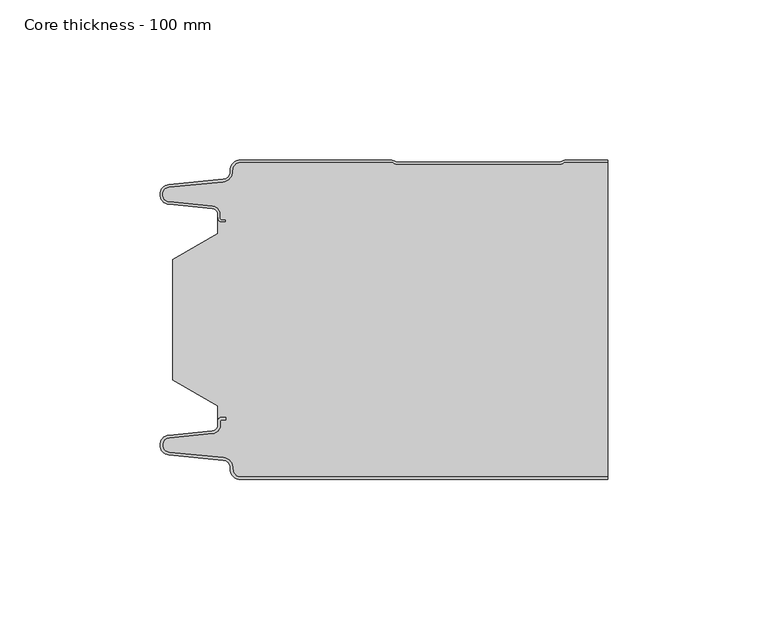
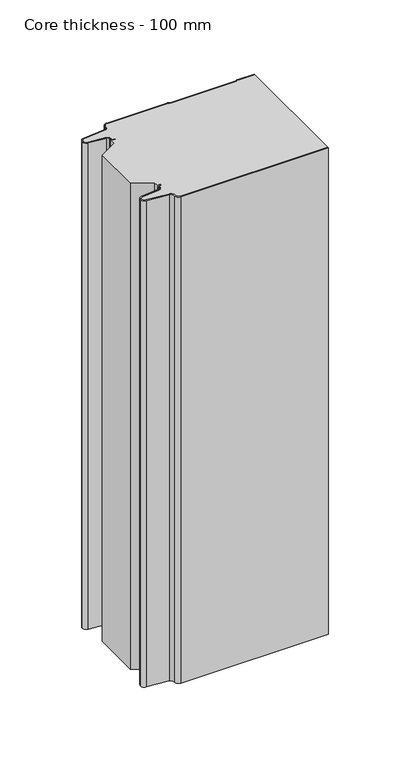
"""IFC4 building model written with IfcOpenShell, lengths in millimetres: plate geometry, Core thickness - 100 mm."""

from ifc_helpers import new_model, si_unit, frame, origin, place, context, project, spatial, polyline, circle_curve, source, transform, mapped, element, save
from ifc_brep_helpers import plane_surface, cylinder_surface, revolved_surface, advanced_brep


def core_thickness_100_mm_233e83f8(model_context):
    return source(origin(), model_context, "Body", "AdvancedBrep", [
        advanced_brep(
        [(-44.8000003, -99.9996949, 0.0), (-47.9923632, -96.5787437, 0.0), (-50.2560431, -93.9171154, 0.0), (-67.2115315, -92.2546153, 0.0), (-69.9999998, -89.1776715, 0.0), (-67.2115315, -86.1007278, 0.0), (-53.6195785, -84.7680252, 0.0), (-51.9952277, -82.9766159, 0.0), (-51.9952277, -81.8996949, 0.0), (-50.5952277, -80.4996949, 0.0), (-49.4952277, -80.4996949, 0.0), (-49.4952277, -81.2996949, 0.0), (-50.5952277, -81.2996949, 0.0), (-51.1952277, -81.8996949, 0.0), (-51.1952277, -82.9766159, 0.0), (-53.5415122, -85.5642071, 0.0), (-67.1334652, -86.8969097, 0.0), (-69.1999997, -89.1776715, 0.0), (-67.1334652, -91.4584333, 0.0), (-50.1779767, -93.1209335, 0.0), (-47.2078761, -96.6330399, 0.0), (-44.8000003, -99.1996949, 0.0), (69.9999998, -99.2, 0.0), (69.9999998, -99.9996949, 0.0), (-44.8000003, -99.1996949, 400.0), (-47.1942724, -96.6339815, 400.0), (-50.1779767, -93.1209335, 400.0), (-67.1334652, -91.4584333, 400.0), (-69.1999997, -89.1776715, 400.0), (-67.1334652, -86.8969097, 400.0), (-53.5415122, -85.5642071, 400.0), (-51.1952277, -82.9766159, 400.0), (-51.1952277, -81.8996949, 400.0), (-50.5952277, -81.2996949, 400.0), (-49.4952277, -81.2996949, 400.0), (-49.4952277, -80.4996949, 400.0), (-50.5952277, -80.4996949, 400.0), (-51.9952277, -81.8996949, 400.0), (-51.9952277, -82.9766159, 400.0), (-53.6195785, -84.7680252, 400.0), (-67.2115315, -86.1007278, 400.0), (-69.9999998, -89.1776715, 400.0), (-67.2115315, -92.2546153, 400.0), (-50.2560431, -93.9171154, 400.0), (-48.0059668, -96.5778021, 400.0), (-44.8000003, -99.9996949, 400.0), (69.9999998, -99.9996949, 400.0), (69.9999998, -99.2, 400.0)],
        [
            (0, 1, circle_curve(frame((-44.8000003, -96.7996949, 0.0), z_axis=(0.0, 0.0, -1.0), x_axis=(1.0, 0.0, 0.0)), 3.2)),
            (1, 2, circle_curve(frame((-50.5000003, -96.4051839, 0.0), z_axis=(0.0, 0.0, 1.0), x_axis=(1.0, 0.0, 0.0)), 2.5)),
            (2, 3),
            (3, 4, circle_curve(frame((-66.9100003, -89.1793626, 0.0), z_axis=(0.0, 0.0, -1.0), x_axis=(1.0, 0.0, 0.0)), 3.09)),
            (4, 5, circle_curve(frame((-66.9100003, -89.1759805, 0.0), z_axis=(0.0, 0.0, -1.0), x_axis=(1.0, 0.0, 0.0)), 3.09)),
            (5, 6),
            (6, 7, circle_curve(frame((-53.7952277, -82.9766159, 0.0), z_axis=(0.0, 0.0, 1.0), x_axis=(1.0, 0.0, 0.0)), 1.8)),
            (7, 8),
            (8, 9, circle_curve(frame((-50.5952277, -81.8996949, 0.0), z_axis=(0.0, 0.0, -1.0), x_axis=(1.0, 0.0, 0.0)), 1.4)),
            (9, 10),
            (10, 11),
            (11, 12),
            (12, 13, circle_curve(frame((-50.5952277, -81.8996949, 0.0), z_axis=(0.0, 0.0, 1.0), x_axis=(1.0, 0.0, 0.0)), 0.6)),
            (13, 14),
            (14, 15, circle_curve(frame((-53.7952277, -82.9766159, 0.0), z_axis=(0.0, 0.0, -1.0), x_axis=(1.0, 0.0, 0.0)), 2.6)),
            (15, 16),
            (16, 17, circle_curve(frame((-66.9100003, -89.1759805, 0.0), z_axis=(0.0, 0.0, 1.0), x_axis=(1.0, 0.0, 0.0)), 2.29)),
            (17, 18, circle_curve(frame((-66.9100003, -89.1793626, 0.0), z_axis=(0.0, 0.0, 1.0), x_axis=(1.0, 0.0, 0.0)), 2.29)),
            (18, 19),
            (19, 20, circle_curve(frame((-50.5000003, -96.4051839, 0.0), z_axis=(0.0, 0.0, -1.0), x_axis=(1.0, 0.0, 0.0)), 3.3)),
            (20, 21, circle_curve(frame((-44.8000003, -96.7996949, 0.0), z_axis=(0.0, 0.0, 1.0), x_axis=(1.0, 0.0, 0.0)), 2.4)),
            (21, 22),
            (22, 23),
            (23, 0),
            (24, 25, circle_curve(frame((-44.8000003, -96.7996949, 400.0), z_axis=(0.0, 0.0, -1.0), x_axis=(1.0, 0.0, 0.0)), 2.4)),
            (25, 26, circle_curve(frame((-50.5000003, -96.4051839, 400.0), z_axis=(0.0, 0.0, 1.0), x_axis=(1.0, 0.0, 0.0)), 3.3)),
            (26, 27),
            (27, 28, circle_curve(frame((-66.9100003, -89.1793626, 400.0), z_axis=(0.0, 0.0, -1.0), x_axis=(1.0, 0.0, 0.0)), 2.29)),
            (28, 29, circle_curve(frame((-66.9100003, -89.1759805, 400.0), z_axis=(0.0, 0.0, -1.0), x_axis=(1.0, 0.0, 0.0)), 2.29)),
            (29, 30),
            (30, 31, circle_curve(frame((-53.7952277, -82.9766159, 400.0), z_axis=(0.0, 0.0, 1.0), x_axis=(1.0, 0.0, 0.0)), 2.6)),
            (31, 32),
            (32, 33, circle_curve(frame((-50.5952277, -81.8996949, 400.0), z_axis=(0.0, 0.0, -1.0), x_axis=(1.0, 0.0, 0.0)), 0.6)),
            (33, 34),
            (34, 35),
            (35, 36),
            (36, 37, circle_curve(frame((-50.5952277, -81.8996949, 400.0), z_axis=(0.0, 0.0, 1.0), x_axis=(1.0, 0.0, 0.0)), 1.4)),
            (37, 38),
            (38, 39, circle_curve(frame((-53.7952277, -82.9766159, 400.0), z_axis=(0.0, 0.0, -1.0), x_axis=(1.0, 0.0, 0.0)), 1.8)),
            (39, 40),
            (40, 41, circle_curve(frame((-66.9100003, -89.1759805, 400.0), z_axis=(0.0, 0.0, 1.0), x_axis=(1.0, 0.0, 0.0)), 3.09)),
            (41, 42, circle_curve(frame((-66.9100003, -89.1793626, 400.0), z_axis=(0.0, 0.0, 1.0), x_axis=(1.0, 0.0, 0.0)), 3.09)),
            (42, 43),
            (43, 44, circle_curve(frame((-50.5000003, -96.4051839, 400.0), z_axis=(0.0, 0.0, -1.0), x_axis=(1.0, 0.0, 0.0)), 2.5)),
            (44, 45, circle_curve(frame((-44.8000003, -96.7996949, 400.0), z_axis=(0.0, 0.0, 1.0), x_axis=(1.0, 0.0, 0.0)), 3.2)),
            (45, 46),
            (46, 47),
            (47, 24),
            (21, 24),
            (47, 22),
            (20, 25),
            (19, 26),
            (18, 27),
            (17, 28),
            (16, 29),
            (15, 30),
            (14, 31),
            (13, 32),
            (12, 33),
            (11, 34),
            (10, 35),
            (9, 36),
            (8, 37),
            (7, 38),
            (6, 39),
            (5, 40),
            (4, 41),
            (3, 42),
            (2, 43),
            (1, 44),
            (0, 45),
            (23, 46),
        ],
        [
            plane_surface(frame((-69.9999998, -100.0, 0.0), z_axis=(0.0, 0.0, -1.0), x_axis=(0.0, 1.0, 0.0))),
            plane_surface(frame((-69.9999998, -100.0, 400.0), z_axis=(0.0, 0.0, 1.0), x_axis=(0.0, 1.0, 0.0))),
            plane_surface(frame((-44.8000003, -99.2, 0.0), z_axis=(0.0, 1.0, 0.0), x_axis=(0.0, 0.0, 1.0))),
            revolved_surface(polyline([(-42.4000003, -96.7996949, 400.0), (-42.4000003, -96.7996949, 0.0)]), (-44.8000003, -96.7996949, 0.0), (0.0, 0.0, 1.0)),
            cylinder_surface(frame((-50.5000003, -96.4051839, 0.0), z_axis=(0.0, 0.0, -1.0), x_axis=(1.0, 0.0, 0.0)), 3.3),
            plane_surface(frame((-67.1334652, -91.4584333, 0.0), z_axis=(0.09758289975914758, 0.9952273999818314, 0.0), x_axis=(0.0, 0.0, 1.0))),
            revolved_surface(polyline([(-64.62000029999999, -89.1793626, 400.0), (-64.62000029999999, -89.1793626, 0.0)]), (-66.9100003, -89.1793626, 0.0), (0.0, 0.0, 1.0)),
            revolved_surface(polyline([(-64.62000029999999, -89.1759805, 400.0), (-64.62000029999999, -89.1759805, 0.0)]), (-66.9100003, -89.1759805, 0.0), (0.0, 0.0, 1.0)),
            plane_surface(frame((-53.5415122, -85.5642071, 0.0), z_axis=(0.09758289975914383, -0.9952273999818317, 0.0), x_axis=(0.0, 0.0, 1.0))),
            cylinder_surface(frame((-53.7952277, -82.9766159, 0.0), z_axis=(0.0, 0.0, -1.0), x_axis=(1.0, 0.0, 0.0)), 2.6),
            plane_surface(frame((-51.1952277, -81.8996949, 0.0), z_axis=(1.0, 0.0, 0.0), x_axis=(0.0, 0.0, 1.0))),
            revolved_surface(polyline([(-49.9952277, -81.8996949, 400.0), (-49.9952277, -81.8996949, 0.0)]), (-50.5952277, -81.8996949, 0.0), (0.0, 0.0, 1.0)),
            plane_surface(frame((-49.4952277, -81.2996949, 0.0), z_axis=(0.0, -1.0, 0.0), x_axis=(0.0, 0.0, 1.0))),
            plane_surface(frame((-49.4952277, -80.4996949, 0.0), z_axis=(1.0, 0.0, 0.0), x_axis=(0.0, 0.0, 1.0))),
            plane_surface(frame((-50.5952277, -80.4996949, 0.0), z_axis=(0.0, 1.0, 0.0), x_axis=(0.0, 0.0, 1.0))),
            cylinder_surface(frame((-50.5952277, -81.8996949, 0.0), z_axis=(0.0, 0.0, -1.0), x_axis=(1.0, 0.0, 0.0)), 1.4),
            plane_surface(frame((-51.9952277, -82.9766159, 0.0), z_axis=(-1.0, 0.0, 0.0), x_axis=(0.0, 0.0, 1.0))),
            revolved_surface(polyline([(-51.9952277, -82.9766159, 400.0), (-51.9952277, -82.9766159, 0.0)]), (-53.7952277, -82.9766159, 0.0), (0.0, 0.0, 1.0)),
            plane_surface(frame((-67.2115315, -86.1007278, 0.0), z_axis=(-0.09758289975914387, 0.9952273999818317, 0.0), x_axis=(0.0, 0.0, 1.0))),
            cylinder_surface(frame((-66.9100003, -89.1759805, 0.0), z_axis=(0.0, 0.0, -1.0), x_axis=(1.0, 0.0, 0.0)), 3.09),
            cylinder_surface(frame((-66.9100003, -89.1793626, 0.0), z_axis=(0.0, 0.0, -1.0), x_axis=(1.0, 0.0, 0.0)), 3.09),
            plane_surface(frame((-50.2560431, -93.9171154, 0.0), z_axis=(-0.09758289975914762, -0.9952273999818314, 0.0), x_axis=(0.0, 0.0, 1.0))),
            revolved_surface(polyline([(-48.0000003, -96.4051839, 400.0), (-48.0000003, -96.4051839, 0.0)]), (-50.5000003, -96.4051839, 0.0), (0.0, 0.0, 1.0)),
            cylinder_surface(frame((-44.8000003, -96.7996949, 0.0), z_axis=(0.0, 0.0, -1.0), x_axis=(1.0, 0.0, 0.0)), 3.2),
            plane_surface(frame((1046.009932, -99.9996949, 0.0), z_axis=(0.0, -1.0, 0.0), x_axis=(0.0, 0.0, 1.0))),
            plane_surface(frame((69.9999998, 180.0, 400.0), z_axis=(1.0, 0.0, 0.0), x_axis=(0.0, 0.0, -1.0))),
        ],
        [
            (0, [[1, 2, 3, 4, 5, 6, 7, 8, 9, 10, 11, 12, 13, 14, 15, 16, 17, 18, 19, 20, 21, 22, 23, 24]]),
            (1, [[25, 26, 27, 28, 29, 30, 31, 32, 33, 34, 35, 36, 37, 38, 39, 40, 41, 42, 43, 44, 45, 46, 47, 48]]),
            (2, [[49, -48, 50, -22]]),
            (3, [[-21, 51, -25, -49]]),
            (4, [[-20, 52, -26, -51]]),
            (5, [[-19, 53, -27, -52]]),
            (6, [[-18, 54, -28, -53]]),
            (7, [[-17, 55, -29, -54]]),
            (8, [[-16, 56, -30, -55]]),
            (9, [[-15, 57, -31, -56]]),
            (10, [[-14, 58, -32, -57]]),
            (11, [[-13, 59, -33, -58]]),
            (12, [[-12, 60, -34, -59]]),
            (13, [[-11, 61, -35, -60]]),
            (14, [[-10, 62, -36, -61]]),
            (15, [[-9, 63, -37, -62]]),
            (16, [[-8, 64, -38, -63]]),
            (17, [[-7, 65, -39, -64]]),
            (18, [[-6, 66, -40, -65]]),
            (19, [[-5, 67, -41, -66]]),
            (20, [[-4, 68, -42, -67]]),
            (21, [[-3, 69, -43, -68]]),
            (22, [[-2, 70, -44, -69]]),
            (23, [[-1, 71, -45, -70]]),
            (24, [[-71, -24, 72, -46]]),
            (25, [[-23, -50, -47, -72]]),
        ],
    ),
        advanced_brep(
        [(-51.9952277, -23.1062917, 400.0), (-66.0446509, -31.1628062, 400.0), (-66.0446509, -68.7531937, 400.0), (-51.9952277, -76.8937083, 400.0), (-51.9952277, -80.4996949, 400.0), (-51.9952277, -81.8996949, 400.0), (-50.5952277, -80.4996949, 400.0), (-49.4952277, -80.4996949, 400.0), (-49.4952277, -81.2996949, 400.0), (-50.5952277, -81.2996949, 400.0), (-51.1952277, -81.8996949, 400.0), (-51.1952277, -82.9766159, 400.0), (-53.5415122, -85.5642071, 400.0), (-67.1334652, -86.8969097, 400.0), (-69.1999997, -89.1776715, 400.0), (-67.1334652, -91.4584333, 400.0), (-50.1779767, -93.1209335, 400.0), (-47.2078761, -96.6330399, 400.0), (-44.8000003, -99.1996949, 400.0), (69.9999998, -99.2, 400.0), (69.9999998, -0.8, 400.0), (57.0487965, -0.8, 400.0), (55.9973806, -1.0986697, 400.0), (54.5769997, -1.5003051, 400.0), (4.4172165, -1.5003051, 400.0), (2.9978051, -1.0971009, 400.0), (1.9454197, -0.8, 400.0), (-44.8000003, -0.8, 400.0), (-47.1942724, -3.3660185, 400.0), (-50.1779767, -6.8790665, 400.0), (-67.1334652, -8.5415667, 400.0), (-69.1999997, -10.8223285, 400.0), (-67.1334652, -13.1030903, 400.0), (-53.5415122, -14.4357929, 400.0), (-51.1952277, -17.0233841, 400.0), (-51.1952277, -18.1003051, 400.0), (-50.5952277, -18.7003051, 400.0), (-49.4952277, -18.7003051, 400.0), (-49.4952277, -19.5003051, 400.0), (-50.5952277, -19.5003051, 400.0), (-51.9952277, -18.1003051, 400.0), (-51.9952277, -19.5003051, 400.0), (-51.9952277, -76.8937083, 0.0), (-66.0446509, -68.7531937, 0.0), (-66.0446509, -31.1628062, 0.0), (-51.9952277, -23.1062917, 0.0), (-51.9952277, -19.5003051, 0.0), (-51.9952277, -18.1003051, 0.0), (-50.5952277, -19.5003051, 0.0), (-49.4952277, -19.5003051, 0.0), (-49.4952277, -18.7003051, 0.0), (-50.5952277, -18.7003051, 0.0), (-51.1952277, -18.1003051, 0.0), (-51.1952277, -17.0233841, 0.0), (-53.5415122, -14.4357929, 0.0), (-67.1334652, -13.1030903, 0.0), (-69.1999997, -10.8223285, 0.0), (-67.1334652, -8.5415667, 0.0), (-50.1779767, -6.8790665, 0.0), (-47.2078761, -3.3669601, 0.0), (-44.8000003, -0.8003051, 0.0), (1.9454197, -0.8, 0.0), (2.9968355, -1.0986697, 0.0), (4.4172165, -1.5003051, 0.0), (54.5769997, -1.5003051, 0.0), (55.9964111, -1.0971009, 0.0), (57.0487965, -0.8, 0.0), (69.9999998, -0.8, 0.0), (69.9999998, -99.2, 0.0), (-44.8000003, -99.2, 0.0), (-47.1942724, -96.6339815, 0.0), (-50.1779767, -93.1209335, 0.0), (-67.1334652, -91.4584333, 0.0), (-69.1999997, -89.1776715, 0.0), (-67.1334652, -86.8969097, 0.0), (-53.5415122, -85.5642071, 0.0), (-51.1952277, -82.9766159, 0.0), (-51.1952277, -81.8996949, 0.0), (-50.5952277, -81.2996949, 0.0), (-49.4952277, -81.2996949, 0.0), (-49.4952277, -80.4996949, 0.0), (-50.5952277, -80.4996949, 0.0), (-51.9952277, -81.8996949, 0.0), (-51.9952277, -80.4996949, 0.0)],
        [
            (0, 1),
            (1, 2),
            (2, 3),
            (3, 4),
            (4, 5),
            (5, 6, circle_curve(frame((-50.5952277, -81.8996949, 400.0), z_axis=(0.0, 0.0, -1.0), x_axis=(1.0, 0.0, 0.0)), 1.4)),
            (6, 7),
            (7, 8),
            (8, 9),
            (9, 10, circle_curve(frame((-50.5952277, -81.8996949, 400.0), z_axis=(0.0, 0.0, 1.0), x_axis=(1.0, 0.0, 0.0)), 0.6)),
            (10, 11),
            (11, 12, circle_curve(frame((-53.7952277, -82.9766159, 400.0), z_axis=(0.0, 0.0, -1.0), x_axis=(1.0, 0.0, 0.0)), 2.6)),
            (12, 13),
            (13, 14, circle_curve(frame((-66.9100003, -89.1759805, 400.0), z_axis=(0.0, 0.0, 1.0), x_axis=(1.0, 0.0, 0.0)), 2.29)),
            (14, 15, circle_curve(frame((-66.9100003, -89.1793626, 400.0), z_axis=(0.0, 0.0, 1.0), x_axis=(1.0, 0.0, 0.0)), 2.29)),
            (15, 16),
            (16, 17, circle_curve(frame((-50.5000003, -96.4051839, 400.0), z_axis=(0.0, 0.0, -1.0), x_axis=(1.0, 0.0, 0.0)), 3.3)),
            (17, 18, circle_curve(frame((-44.8000003, -96.7996949, 400.0), z_axis=(0.0, 0.0, 1.0), x_axis=(1.0, 0.0, 0.0)), 2.4)),
            (18, 19),
            (19, 20),
            (20, 21),
            (21, 22, circle_curve(frame((57.0487965, -2.8, 400.0), z_axis=(0.0, 0.0, 1.0), x_axis=(1.0, 0.0, 0.0)), 2.0)),
            (22, 23, circle_curve(frame((54.5769997, 1.1996949, 400.0), z_axis=(0.0, 0.0, -1.0), x_axis=(1.0, 0.0, 0.0)), 2.7)),
            (23, 24),
            (24, 25, circle_curve(frame((4.4172165, 1.1996949, 400.0), z_axis=(0.0, 0.0, -1.0), x_axis=(1.0, 0.0, 0.0)), 2.7)),
            (25, 26, circle_curve(frame((1.9454197, -2.8, 400.0), z_axis=(0.0, 0.0, 1.0), x_axis=(1.0, 0.0, 0.0)), 2.0)),
            (26, 27),
            (27, 28, circle_curve(frame((-44.8000003, -3.2003051, 400.0), z_axis=(0.0, 0.0, 1.0), x_axis=(1.0, 0.0, 0.0)), 2.4)),
            (28, 29, circle_curve(frame((-50.5000003, -3.5948161, 400.0), z_axis=(0.0, 0.0, -1.0), x_axis=(1.0, 0.0, 0.0)), 3.3)),
            (29, 30),
            (30, 31, circle_curve(frame((-66.9100003, -10.8206374, 400.0), z_axis=(0.0, 0.0, 1.0), x_axis=(1.0, 0.0, 0.0)), 2.29)),
            (31, 32, circle_curve(frame((-66.9100003, -10.8240195, 400.0), z_axis=(0.0, 0.0, 1.0), x_axis=(1.0, 0.0, 0.0)), 2.29)),
            (32, 33),
            (33, 34, circle_curve(frame((-53.7952277, -17.0233841, 400.0), z_axis=(0.0, 0.0, -1.0), x_axis=(1.0, 0.0, 0.0)), 2.6)),
            (34, 35),
            (35, 36, circle_curve(frame((-50.5952277, -18.1003051, 400.0), z_axis=(0.0, 0.0, 1.0), x_axis=(1.0, 0.0, 0.0)), 0.6)),
            (36, 37),
            (37, 38),
            (38, 39),
            (39, 40, circle_curve(frame((-50.5952277, -18.1003051, 400.0), z_axis=(0.0, 0.0, -1.0), x_axis=(1.0, 0.0, 0.0)), 1.4)),
            (40, 41),
            (41, 0),
            (42, 43),
            (43, 44),
            (44, 45),
            (45, 46),
            (46, 47),
            (47, 48, circle_curve(frame((-50.5952277, -18.1003051, 0.0), z_axis=(0.0, 0.0, 1.0), x_axis=(1.0, 0.0, 0.0)), 1.4)),
            (48, 49),
            (49, 50),
            (50, 51),
            (51, 52, circle_curve(frame((-50.5952277, -18.1003051, 0.0), z_axis=(0.0, 0.0, -1.0), x_axis=(1.0, 0.0, 0.0)), 0.6)),
            (52, 53),
            (53, 54, circle_curve(frame((-53.7952277, -17.0233841, 0.0), z_axis=(0.0, 0.0, 1.0), x_axis=(1.0, 0.0, 0.0)), 2.6)),
            (54, 55),
            (55, 56, circle_curve(frame((-66.9100003, -10.8240195, 0.0), z_axis=(0.0, 0.0, -1.0), x_axis=(1.0, 0.0, 0.0)), 2.29)),
            (56, 57, circle_curve(frame((-66.9100003, -10.8206374, 0.0), z_axis=(0.0, 0.0, -1.0), x_axis=(1.0, 0.0, 0.0)), 2.29)),
            (57, 58),
            (58, 59, circle_curve(frame((-50.5000003, -3.5948161, 0.0), z_axis=(0.0, 0.0, 1.0), x_axis=(1.0, 0.0, 0.0)), 3.3)),
            (59, 60, circle_curve(frame((-44.8000003, -3.2003051, 0.0), z_axis=(0.0, 0.0, -1.0), x_axis=(1.0, 0.0, 0.0)), 2.4)),
            (60, 61),
            (61, 62, circle_curve(frame((1.9454197, -2.8, 0.0), z_axis=(0.0, 0.0, -1.0), x_axis=(1.0, 0.0, 0.0)), 2.0)),
            (62, 63, circle_curve(frame((4.4172165, 1.1996949, 0.0), z_axis=(0.0, 0.0, 1.0), x_axis=(1.0, 0.0, 0.0)), 2.7)),
            (63, 64),
            (64, 65, circle_curve(frame((54.5769997, 1.1996949, 0.0), z_axis=(0.0, 0.0, 1.0), x_axis=(1.0, 0.0, 0.0)), 2.7)),
            (65, 66, circle_curve(frame((57.0487965, -2.8, 0.0), z_axis=(0.0, 0.0, -1.0), x_axis=(1.0, 0.0, 0.0)), 2.0)),
            (66, 67),
            (67, 68),
            (68, 69),
            (69, 70, circle_curve(frame((-44.8000003, -96.7996949, 0.0), z_axis=(0.0, 0.0, -1.0), x_axis=(1.0, 0.0, 0.0)), 2.4)),
            (70, 71, circle_curve(frame((-50.5000003, -96.4051839, 0.0), z_axis=(0.0, 0.0, 1.0), x_axis=(1.0, 0.0, 0.0)), 3.3)),
            (71, 72),
            (72, 73, circle_curve(frame((-66.9100003, -89.1793626, 0.0), z_axis=(0.0, 0.0, -1.0), x_axis=(1.0, 0.0, 0.0)), 2.29)),
            (73, 74, circle_curve(frame((-66.9100003, -89.1759805, 0.0), z_axis=(0.0, 0.0, -1.0), x_axis=(1.0, 0.0, 0.0)), 2.29)),
            (74, 75),
            (75, 76, circle_curve(frame((-53.7952277, -82.9766159, 0.0), z_axis=(0.0, 0.0, 1.0), x_axis=(1.0, 0.0, 0.0)), 2.6)),
            (76, 77),
            (77, 78, circle_curve(frame((-50.5952277, -81.8996949, 0.0), z_axis=(0.0, 0.0, -1.0), x_axis=(1.0, 0.0, 0.0)), 0.6)),
            (78, 79),
            (79, 80),
            (80, 81),
            (81, 82, circle_curve(frame((-50.5952277, -81.8996949, 0.0), z_axis=(0.0, 0.0, 1.0), x_axis=(1.0, 0.0, 0.0)), 1.4)),
            (82, 83),
            (83, 42),
            (45, 0),
            (40, 47),
            (1, 44),
            (43, 2),
            (42, 3),
            (82, 5),
            (18, 69),
            (68, 19),
            (17, 70),
            (16, 71),
            (15, 72),
            (14, 73),
            (13, 74),
            (12, 75),
            (11, 76),
            (10, 77),
            (9, 78),
            (8, 79),
            (7, 80),
            (6, 81),
            (60, 27),
            (26, 61),
            (25, 62),
            (24, 63),
            (23, 64),
            (22, 65),
            (21, 66),
            (20, 67),
            (39, 48),
            (38, 49),
            (37, 50),
            (36, 51),
            (35, 52),
            (34, 53),
            (33, 54),
            (32, 55),
            (31, 56),
            (30, 57),
            (29, 58),
            (28, 59),
        ],
        [
            plane_surface(frame((-69.9999998, 0.0, 400.0), z_axis=(0.0, 0.0, 1.0), x_axis=(0.0, -1.0, 0.0))),
            plane_surface(frame((-69.9999998, 0.0, 0.0), z_axis=(0.0, 0.0, -1.0), x_axis=(0.0, -1.0, 0.0))),
            plane_surface(frame((-51.9952277, -17.0229218, 400.0), z_axis=(-1.0, 0.0, 0.0), x_axis=(0.0, 0.0, -1.0))),
            plane_surface(frame((-66.0446509, -31.1628062, 400.0), z_axis=(-1.0, 0.0, 0.0), x_axis=(0.0, 0.0, -1.0))),
            plane_surface(frame((-51.9952277, -23.1062917, 400.0), z_axis=(-0.4974543664933155, 0.8674901459133322, 0.0), x_axis=(0.0, 0.0, -1.0))),
            plane_surface(frame((-66.0446509, -68.7531937, 400.0), z_axis=(-0.5013424225369615, -0.8652489672717159, 0.0), x_axis=(0.0, 0.0, -1.0))),
            plane_surface(frame((-51.9952277, -76.8937083, 400.0), z_axis=(-1.0, 0.0, 0.0), x_axis=(0.0, 0.0, -1.0))),
            plane_surface(frame((1046.009932, -99.2, 530.0), z_axis=(0.0, -1.0, 0.0), x_axis=(0.0, 0.0, -1.0))),
            cylinder_surface(frame((-44.8000003, -96.7996949, 530.0), z_axis=(0.0, 0.0, -1.0), x_axis=(1.0, 0.0, 0.0)), 2.4),
            revolved_surface(polyline([(-47.200000300000006, -96.4051839, 400.0), (-47.200000300000006, -96.4051839, 0.0)]), (-50.5000003, -96.4051839, 530.0), (0.0, 0.0, 1.0)),
            plane_surface(frame((-50.1779767, -93.1209335, 530.0), z_axis=(-0.09758289975914758, -0.9952273999818314, 0.0), x_axis=(0.0, 0.0, -1.0))),
            cylinder_surface(frame((-66.9100003, -89.1793626, 530.0), z_axis=(0.0, 0.0, -1.0), x_axis=(1.0, 0.0, 0.0)), 2.29),
            cylinder_surface(frame((-66.9100003, -89.1759805, 530.0), z_axis=(0.0, 0.0, -1.0), x_axis=(1.0, 0.0, 0.0)), 2.29),
            plane_surface(frame((-67.1334652, -86.8969097, 530.0), z_axis=(-0.09758289975914383, 0.9952273999818317, 0.0), x_axis=(0.0, 0.0, -1.0))),
            revolved_surface(polyline([(-51.1952277, -82.9766159, 400.0), (-51.1952277, -82.9766159, 0.0)]), (-53.7952277, -82.9766159, 530.0), (0.0, 0.0, 1.0)),
            plane_surface(frame((-51.1952277, -82.9766159, 530.0), z_axis=(-1.0, 0.0, 0.0), x_axis=(0.0, 0.0, -1.0))),
            cylinder_surface(frame((-50.5952277, -81.8996949, 530.0), z_axis=(0.0, 0.0, -1.0), x_axis=(1.0, 0.0, 0.0)), 0.6),
            plane_surface(frame((-50.5952277, -81.2996949, 530.0), z_axis=(0.0, 1.0, 0.0), x_axis=(0.0, 0.0, -1.0))),
            plane_surface(frame((-49.4952277, -81.2996949, 530.0), z_axis=(-1.0, 0.0, 0.0), x_axis=(0.0, 0.0, -1.0))),
            plane_surface(frame((-49.4952277, -80.4996949, 530.0), z_axis=(0.0, -1.0, 0.0), x_axis=(0.0, 0.0, -1.0))),
            revolved_surface(polyline([(-49.195227700000004, -81.8996949, 400.0), (-49.195227700000004, -81.8996949, 0.0)]), (-50.5952277, -81.8996949, 530.0), (0.0, 0.0, 1.0)),
            plane_surface(frame((-44.8000003, -0.8, 530.0), z_axis=(0.0, 1.0, 0.0), x_axis=(0.0, 0.0, -1.0))),
            cylinder_surface(frame((1.9454197, -2.8, 530.0), z_axis=(0.0, 0.0, -1.0), x_axis=(1.0, 0.0, 0.0)), 2.0),
            revolved_surface(polyline([(7.1172165000000005, 1.1996949, 400.0), (7.1172165000000005, 1.1996949, 0.0)]), (4.4172165, 1.1996949, 530.0), (0.0, 0.0, 1.0)),
            plane_surface(frame((4.4172165, -1.5003051, 530.0), z_axis=(0.0, 1.0, 0.0), x_axis=(0.0, 0.0, -1.0))),
            revolved_surface(polyline([(57.276999700000005, 1.1996949, 400.0), (57.276999700000005, 1.1996949, 0.0)]), (54.5769997, 1.1996949, 530.0), (0.0, 0.0, 1.0)),
            cylinder_surface(frame((57.0487965, -2.8, 530.0), z_axis=(0.0, 0.0, -1.0), x_axis=(1.0, 0.0, 0.0)), 2.0),
            plane_surface(frame((57.0487965, -0.8, 530.0), z_axis=(0.0, 1.0, 0.0), x_axis=(0.0, 0.0, -1.0))),
            revolved_surface(polyline([(-49.195227700000004, -18.1003051, 400.0), (-49.195227700000004, -18.1003051, 0.0)]), (-50.5952277, -18.1003051, 530.0), (0.0, 0.0, 1.0)),
            plane_surface(frame((-50.5952277, -19.5003051, 530.0), z_axis=(0.0, 1.0, 0.0), x_axis=(0.0, 0.0, -1.0))),
            plane_surface(frame((-49.4952277, -19.5003051, 530.0), z_axis=(-1.0, 0.0, 0.0), x_axis=(0.0, 0.0, -1.0))),
            plane_surface(frame((-49.4952277, -18.7003051, 530.0), z_axis=(0.0, -1.0, 0.0), x_axis=(0.0, 0.0, -1.0))),
            cylinder_surface(frame((-50.5952277, -18.1003051, 530.0), z_axis=(0.0, 0.0, -1.0), x_axis=(1.0, 0.0, 0.0)), 0.6),
            plane_surface(frame((-51.1952277, -18.1003051, 530.0), z_axis=(-1.0, 0.0, 0.0), x_axis=(0.0, 0.0, -1.0))),
            revolved_surface(polyline([(-51.1952277, -17.0233841, 400.0), (-51.1952277, -17.0233841, 0.0)]), (-53.7952277, -17.0233841, 530.0), (0.0, 0.0, 1.0)),
            plane_surface(frame((-53.5415122, -14.4357929, 530.0), z_axis=(-0.09758289975914705, -0.9952273999818314, 0.0), x_axis=(0.0, 0.0, -1.0))),
            cylinder_surface(frame((-66.9100003, -10.8240195, 530.0), z_axis=(0.0, 0.0, -1.0), x_axis=(1.0, 0.0, 0.0)), 2.29),
            cylinder_surface(frame((-66.9100003, -10.8206374, 530.0), z_axis=(0.0, 0.0, -1.0), x_axis=(1.0, 0.0, 0.0)), 2.29),
            plane_surface(frame((-67.1334652, -8.5415667, 530.0), z_axis=(-0.09758289975914436, 0.9952273999818317, 0.0), x_axis=(0.0, 0.0, -1.0))),
            revolved_surface(polyline([(-47.200000300000006, -3.5948161, 400.0), (-47.200000300000006, -3.5948161, 0.0)]), (-50.5000003, -3.5948161, 530.0), (0.0, 0.0, 1.0)),
            cylinder_surface(frame((-44.8000003, -3.2003051, 530.0), z_axis=(0.0, 0.0, -1.0), x_axis=(1.0, 0.0, 0.0)), 2.4),
            plane_surface(frame((69.9999998, 180.0, 400.0), z_axis=(1.0, 0.0, 0.0), x_axis=(0.0, 0.0, -1.0))),
        ],
        [
            (0, [[1, 2, 3, 4, 5, 6, 7, 8, 9, 10, 11, 12, 13, 14, 15, 16, 17, 18, 19, 20, 21, 22, 23, 24, 25, 26, 27, 28, 29, 30, 31, 32, 33, 34, 35, 36, 37, 38, 39, 40, 41, 42]]),
            (1, [[43, 44, 45, 46, 47, 48, 49, 50, 51, 52, 53, 54, 55, 56, 57, 58, 59, 60, 61, 62, 63, 64, 65, 66, 67, 68, 69, 70, 71, 72, 73, 74, 75, 76, 77, 78, 79, 80, 81, 82, 83, 84]]),
            (2, [[85, -42, -41, 86, -47, -46]]),
            (3, [[-2, 87, -44, 88]]),
            (4, [[-1, -85, -45, -87]]),
            (5, [[-3, -88, -43, 89]]),
            (6, [[-89, -84, -83, 90, -5, -4]]),
            (7, [[91, -69, 92, -19]]),
            (8, [[-91, -18, 93, -70]]),
            (9, [[-93, -17, 94, -71]]),
            (10, [[-94, -16, 95, -72]]),
            (11, [[-95, -15, 96, -73]]),
            (12, [[-96, -14, 97, -74]]),
            (13, [[-97, -13, 98, -75]]),
            (14, [[-98, -12, 99, -76]]),
            (15, [[-99, -11, 100, -77]]),
            (16, [[-100, -10, 101, -78]]),
            (17, [[-101, -9, 102, -79]]),
            (18, [[-102, -8, 103, -80]]),
            (19, [[-103, -7, 104, -81]]),
            (20, [[-104, -6, -90, -82]]),
            (21, [[105, -27, 106, -61]]),
            (22, [[-106, -26, 107, -62]]),
            (23, [[-107, -25, 108, -63]]),
            (24, [[-108, -24, 109, -64]]),
            (25, [[-109, -23, 110, -65]]),
            (26, [[-110, -22, 111, -66]]),
            (27, [[-111, -21, 112, -67]]),
            (28, [[113, -48, -86, -40]]),
            (29, [[-113, -39, 114, -49]]),
            (30, [[-114, -38, 115, -50]]),
            (31, [[-115, -37, 116, -51]]),
            (32, [[-116, -36, 117, -52]]),
            (33, [[-117, -35, 118, -53]]),
            (34, [[-118, -34, 119, -54]]),
            (35, [[-119, -33, 120, -55]]),
            (36, [[-120, -32, 121, -56]]),
            (37, [[-121, -31, 122, -57]]),
            (38, [[-122, -30, 123, -58]]),
            (39, [[-123, -29, 124, -59]]),
            (40, [[-105, -60, -124, -28]]),
            (41, [[-92, -68, -112, -20]]),
        ],
    ),
        advanced_brep(
        [(2.9968355, -1.0986697, 0.0), (1.9454197, -0.8, 0.0), (-44.8000003, -0.8, 0.0), (-47.1942724, -3.3660185, 0.0), (-50.1779767, -6.8790665, 0.0), (-67.1334652, -8.5415667, 0.0), (-69.1999997, -10.8223285, 0.0), (-67.1334652, -13.1030903, 0.0), (-53.5415122, -14.4357929, 0.0), (-51.1952277, -17.0233841, 0.0), (-51.1952277, -18.1003051, 0.0), (-50.5952277, -18.7003051, 0.0), (-49.4952277, -18.7003051, 0.0), (-49.4952277, -19.5003051, 0.0), (-50.5952277, -19.5003051, 0.0), (-51.9952277, -18.1003051, 0.0), (-51.9952277, -17.0233841, 0.0), (-53.6195785, -15.2319748, 0.0), (-67.2115315, -13.8992722, 0.0), (-69.9999998, -10.8223285, 0.0), (-67.2115315, -7.7453847, 0.0), (-50.2560431, -6.0828846, 0.0), (-48.0059668, -3.4221979, 0.0), (-44.8000003, -0.0003051, 0.0), (1.9454197, -0.0003051, 0.0), (3.3647528, -0.4034608, 0.0), (4.4172165, -0.7003051, 0.0), (54.5769997, -0.7003051, 0.0), (55.6283575, -0.4016712, 0.0), (57.0487965, -0.0003051, 0.0), (69.9999998, -0.0003051, 0.0), (69.9999998, -0.8, 0.0), (57.0487965, -0.8, 0.0), (55.9973806, -1.0986697, 0.0), (54.5769997, -1.5003051, 0.0), (4.4172165, -1.5003051, 0.0), (2.9978051, -1.0971009, 400.0), (4.4172165, -1.5003051, 400.0), (54.5769997, -1.5003051, 400.0), (55.9964111, -1.0971009, 400.0), (57.0487965, -0.8, 400.0), (69.9999998, -0.8, 400.0), (69.9999998, -0.0003051, 400.0), (57.0487965, -0.0003051, 400.0), (55.6294634, -0.4034608, 400.0), (54.5769997, -0.7003051, 400.0), (4.4172165, -0.7003051, 400.0), (3.3658586, -0.4016712, 400.0), (1.9454197, -0.0003051, 400.0), (-44.8000003, -0.0003051, 400.0), (-47.9923632, -3.4212563, 400.0), (-50.2560431, -6.0828846, 400.0), (-67.2115315, -7.7453847, 400.0), (-69.9999998, -10.8223285, 400.0), (-67.2115315, -13.8992722, 400.0), (-53.6195785, -15.2319748, 400.0), (-51.9952277, -17.0233841, 400.0), (-51.9952277, -18.1003051, 400.0), (-50.5952277, -19.5003051, 400.0), (-49.4952277, -19.5003051, 400.0), (-49.4952277, -18.7003051, 400.0), (-50.5952277, -18.7003051, 400.0), (-51.1952277, -18.1003051, 400.0), (-51.1952277, -17.0233841, 400.0), (-53.5415122, -14.4357929, 400.0), (-67.1334652, -13.1030903, 400.0), (-69.1999997, -10.8223285, 400.0), (-67.1334652, -8.5415667, 400.0), (-50.1779767, -6.8790665, 400.0), (-47.2078761, -3.3669601, 400.0), (-44.8000003, -0.8003051, 400.0), (1.9454197, -0.8, 400.0)],
        [
            (0, 1, circle_curve(frame((1.9454197, -2.8, 0.0), z_axis=(0.0, 0.0, 1.0), x_axis=(1.0, 0.0, 0.0)), 2.0)),
            (1, 2),
            (2, 3, circle_curve(frame((-44.8000003, -3.2003051, 0.0), z_axis=(0.0, 0.0, 1.0), x_axis=(1.0, 0.0, 0.0)), 2.4)),
            (3, 4, circle_curve(frame((-50.5000003, -3.5948161, 0.0), z_axis=(0.0, 0.0, -1.0), x_axis=(1.0, 0.0, 0.0)), 3.3)),
            (4, 5),
            (5, 6, circle_curve(frame((-66.9100003, -10.8206374, 0.0), z_axis=(0.0, 0.0, 1.0), x_axis=(1.0, 0.0, 0.0)), 2.29)),
            (6, 7, circle_curve(frame((-66.9100003, -10.8240195, 0.0), z_axis=(0.0, 0.0, 1.0), x_axis=(1.0, 0.0, 0.0)), 2.29)),
            (7, 8),
            (8, 9, circle_curve(frame((-53.7952277, -17.0233841, 0.0), z_axis=(0.0, 0.0, -1.0), x_axis=(1.0, 0.0, 0.0)), 2.6)),
            (9, 10),
            (10, 11, circle_curve(frame((-50.5952277, -18.1003051, 0.0), z_axis=(0.0, 0.0, 1.0), x_axis=(1.0, 0.0, 0.0)), 0.6)),
            (11, 12),
            (12, 13),
            (13, 14),
            (14, 15, circle_curve(frame((-50.5952277, -18.1003051, 0.0), z_axis=(0.0, 0.0, -1.0), x_axis=(1.0, 0.0, 0.0)), 1.4)),
            (15, 16),
            (16, 17, circle_curve(frame((-53.7952277, -17.0233841, 0.0), z_axis=(0.0, 0.0, 1.0), x_axis=(1.0, 0.0, 0.0)), 1.8)),
            (17, 18),
            (18, 19, circle_curve(frame((-66.9100003, -10.8240195, 0.0), z_axis=(0.0, 0.0, -1.0), x_axis=(1.0, 0.0, 0.0)), 3.09)),
            (19, 20, circle_curve(frame((-66.9100003, -10.8206374, 0.0), z_axis=(0.0, 0.0, -1.0), x_axis=(1.0, 0.0, 0.0)), 3.09)),
            (20, 21),
            (21, 22, circle_curve(frame((-50.5000003, -3.5948161, 0.0), z_axis=(0.0, 0.0, 1.0), x_axis=(1.0, 0.0, 0.0)), 2.5)),
            (22, 23, circle_curve(frame((-44.8000003, -3.2003051, 0.0), z_axis=(0.0, 0.0, -1.0), x_axis=(1.0, 0.0, 0.0)), 3.2)),
            (23, 24),
            (24, 25, circle_curve(frame((1.9454197, -2.7003051, 0.0), z_axis=(0.0, 0.0, -1.0), x_axis=(1.0, 0.0, 0.0)), 2.7)),
            (25, 26, circle_curve(frame((4.4172165, 1.2996949, 0.0), z_axis=(0.0, 0.0, 1.0), x_axis=(1.0, 0.0, 0.0)), 2.0)),
            (26, 27),
            (27, 28, circle_curve(frame((54.5769997, 1.2996949, 0.0), z_axis=(0.0, 0.0, 1.0), x_axis=(1.0, 0.0, 0.0)), 2.0)),
            (28, 29, circle_curve(frame((57.0487965, -2.7003051, 0.0), z_axis=(0.0, 0.0, -1.0), x_axis=(1.0, 0.0, 0.0)), 2.7)),
            (29, 30),
            (30, 31),
            (31, 32),
            (32, 33, circle_curve(frame((57.0487965, -2.8, 0.0), z_axis=(0.0, 0.0, 1.0), x_axis=(1.0, 0.0, 0.0)), 2.0)),
            (33, 34, circle_curve(frame((54.5769997, 1.1996949, 0.0), z_axis=(0.0, 0.0, -1.0), x_axis=(1.0, 0.0, 0.0)), 2.7)),
            (34, 35),
            (35, 0, circle_curve(frame((4.4172165, 1.1996949, 0.0), z_axis=(0.0, 0.0, -1.0), x_axis=(1.0, 0.0, 0.0)), 2.7)),
            (36, 37, circle_curve(frame((4.4172165, 1.1996949, 400.0), z_axis=(0.0, 0.0, 1.0), x_axis=(1.0, 0.0, 0.0)), 2.7)),
            (37, 38),
            (38, 39, circle_curve(frame((54.5769997, 1.1996949, 400.0), z_axis=(0.0, 0.0, 1.0), x_axis=(1.0, 0.0, 0.0)), 2.7)),
            (39, 40, circle_curve(frame((57.0487965, -2.8, 400.0), z_axis=(0.0, 0.0, -1.0), x_axis=(1.0, 0.0, 0.0)), 2.0)),
            (40, 41),
            (41, 42),
            (42, 43),
            (43, 44, circle_curve(frame((57.0487965, -2.7003051, 400.0), z_axis=(0.0, 0.0, 1.0), x_axis=(1.0, 0.0, 0.0)), 2.7)),
            (44, 45, circle_curve(frame((54.5769997, 1.2996949, 400.0), z_axis=(0.0, 0.0, -1.0), x_axis=(1.0, 0.0, 0.0)), 2.0)),
            (45, 46),
            (46, 47, circle_curve(frame((4.4172165, 1.2996949, 400.0), z_axis=(0.0, 0.0, -1.0), x_axis=(1.0, 0.0, 0.0)), 2.0)),
            (47, 48, circle_curve(frame((1.9454197, -2.7003051, 400.0), z_axis=(0.0, 0.0, 1.0), x_axis=(1.0, 0.0, 0.0)), 2.7)),
            (48, 49),
            (49, 50, circle_curve(frame((-44.8000003, -3.2003051, 400.0), z_axis=(0.0, 0.0, 1.0), x_axis=(1.0, 0.0, 0.0)), 3.2)),
            (50, 51, circle_curve(frame((-50.5000003, -3.5948161, 400.0), z_axis=(0.0, 0.0, -1.0), x_axis=(1.0, 0.0, 0.0)), 2.5)),
            (51, 52),
            (52, 53, circle_curve(frame((-66.9100003, -10.8206374, 400.0), z_axis=(0.0, 0.0, 1.0), x_axis=(1.0, 0.0, 0.0)), 3.09)),
            (53, 54, circle_curve(frame((-66.9100003, -10.8240195, 400.0), z_axis=(0.0, 0.0, 1.0), x_axis=(1.0, 0.0, 0.0)), 3.09)),
            (54, 55),
            (55, 56, circle_curve(frame((-53.7952277, -17.0233841, 400.0), z_axis=(0.0, 0.0, -1.0), x_axis=(1.0, 0.0, 0.0)), 1.8)),
            (56, 57),
            (57, 58, circle_curve(frame((-50.5952277, -18.1003051, 400.0), z_axis=(0.0, 0.0, 1.0), x_axis=(1.0, 0.0, 0.0)), 1.4)),
            (58, 59),
            (59, 60),
            (60, 61),
            (61, 62, circle_curve(frame((-50.5952277, -18.1003051, 400.0), z_axis=(0.0, 0.0, -1.0), x_axis=(1.0, 0.0, 0.0)), 0.6)),
            (62, 63),
            (63, 64, circle_curve(frame((-53.7952277, -17.0233841, 400.0), z_axis=(0.0, 0.0, 1.0), x_axis=(1.0, 0.0, 0.0)), 2.6)),
            (64, 65),
            (65, 66, circle_curve(frame((-66.9100003, -10.8240195, 400.0), z_axis=(0.0, 0.0, -1.0), x_axis=(1.0, 0.0, 0.0)), 2.29)),
            (66, 67, circle_curve(frame((-66.9100003, -10.8206374, 400.0), z_axis=(0.0, 0.0, -1.0), x_axis=(1.0, 0.0, 0.0)), 2.29)),
            (67, 68),
            (68, 69, circle_curve(frame((-50.5000003, -3.5948161, 400.0), z_axis=(0.0, 0.0, 1.0), x_axis=(1.0, 0.0, 0.0)), 3.3)),
            (69, 70, circle_curve(frame((-44.8000003, -3.2003051, 400.0), z_axis=(0.0, 0.0, -1.0), x_axis=(1.0, 0.0, 0.0)), 2.4)),
            (70, 71),
            (71, 36, circle_curve(frame((1.9454197, -2.8, 400.0), z_axis=(0.0, 0.0, -1.0), x_axis=(1.0, 0.0, 0.0)), 2.0)),
            (0, 36),
            (71, 1),
            (70, 2),
            (69, 3),
            (68, 4),
            (67, 5),
            (66, 6),
            (65, 7),
            (64, 8),
            (63, 9),
            (62, 10),
            (61, 11),
            (60, 12),
            (59, 13),
            (58, 14),
            (57, 15),
            (56, 16),
            (55, 17),
            (54, 18),
            (53, 19),
            (52, 20),
            (51, 21),
            (50, 22),
            (49, 23),
            (48, 24),
            (47, 25),
            (46, 26),
            (45, 27),
            (44, 28),
            (43, 29),
            (42, 30),
            (40, 32),
            (31, 41),
            (39, 33),
            (38, 34),
            (37, 35),
        ],
        [
            plane_surface(frame((-69.9999998, 0.0, 0.0), z_axis=(0.0, 0.0, -1.0), x_axis=(0.0, -1.0, 0.0))),
            plane_surface(frame((-69.9999998, 0.0, 400.0), z_axis=(0.0, 0.0, 1.0), x_axis=(0.0, -1.0, 0.0))),
            revolved_surface(polyline([(3.9454197, -2.8, 400.0), (3.9454197, -2.8, 0.0)]), (1.9454197, -2.8, 0.0), (0.0, 0.0, 1.0)),
            plane_surface(frame((1.9454197, -0.8, 0.0), z_axis=(0.0, -1.0, 0.0), x_axis=(0.0, 0.0, 1.0))),
            revolved_surface(polyline([(-42.4000003, -3.2003051, 400.0), (-42.4000003, -3.2003051, 0.0)]), (-44.8000003, -3.2003051, 0.0), (0.0, 0.0, 1.0)),
            cylinder_surface(frame((-50.5000003, -3.5948161, 0.0), z_axis=(0.0, 0.0, -1.0), x_axis=(1.0, 0.0, 0.0)), 3.3),
            plane_surface(frame((-50.1779767, -6.8790665, 0.0), z_axis=(0.09758289975914113, -0.9952273999818321, 0.0), x_axis=(0.0, 0.0, 1.0))),
            revolved_surface(polyline([(-64.62000029999999, -10.8206374, 400.0), (-64.62000029999999, -10.8206374, 0.0)]), (-66.9100003, -10.8206374, 0.0), (0.0, 0.0, 1.0)),
            revolved_surface(polyline([(-64.62000029999999, -10.8240195, 400.0), (-64.62000029999999, -10.8240195, 0.0)]), (-66.9100003, -10.8240195, 0.0), (0.0, 0.0, 1.0)),
            plane_surface(frame((-67.1334652, -13.1030903, 0.0), z_axis=(0.0975828997591503, 0.9952273999818312, 0.0), x_axis=(0.0, 0.0, 1.0))),
            cylinder_surface(frame((-53.7952277, -17.0233841, 0.0), z_axis=(0.0, 0.0, -1.0), x_axis=(1.0, 0.0, 0.0)), 2.6),
            plane_surface(frame((-51.1952277, -17.0233841, 0.0), z_axis=(1.0, 0.0, 0.0), x_axis=(0.0, 0.0, 1.0))),
            revolved_surface(polyline([(-49.9952277, -18.1003051, 400.0), (-49.9952277, -18.1003051, 0.0)]), (-50.5952277, -18.1003051, 0.0), (0.0, 0.0, 1.0)),
            plane_surface(frame((-50.5952277, -18.7003051, 0.0), z_axis=(0.0, 1.0, 0.0), x_axis=(0.0, 0.0, 1.0))),
            plane_surface(frame((-49.4952277, -18.7003051, 0.0), z_axis=(1.0, 0.0, 0.0), x_axis=(0.0, 0.0, 1.0))),
            plane_surface(frame((-49.4952277, -19.5003051, 0.0), z_axis=(0.0, -1.0, 0.0), x_axis=(0.0, 0.0, 1.0))),
            cylinder_surface(frame((-50.5952277, -18.1003051, 0.0), z_axis=(0.0, 0.0, -1.0), x_axis=(1.0, 0.0, 0.0)), 1.4),
            plane_surface(frame((-51.9952277, -18.1003051, 0.0), z_axis=(-1.0, 0.0, 0.0), x_axis=(0.0, 0.0, 1.0))),
            revolved_surface(polyline([(-51.9952277, -17.0233841, 400.0), (-51.9952277, -17.0233841, 0.0)]), (-53.7952277, -17.0233841, 0.0), (0.0, 0.0, 1.0)),
            plane_surface(frame((-53.6195785, -15.2319748, 0.0), z_axis=(-0.09758289975915034, -0.9952273999818312, 0.0), x_axis=(0.0, 0.0, 1.0))),
            cylinder_surface(frame((-66.9100003, -10.8240195, 0.0), z_axis=(0.0, 0.0, -1.0), x_axis=(1.0, 0.0, 0.0)), 3.09),
            cylinder_surface(frame((-66.9100003, -10.8206374, 0.0), z_axis=(0.0, 0.0, -1.0), x_axis=(1.0, 0.0, 0.0)), 3.09),
            plane_surface(frame((-67.2115315, -7.7453847, 0.0), z_axis=(-0.09758289975914117, 0.9952273999818321, 0.0), x_axis=(0.0, 0.0, 1.0))),
            revolved_surface(polyline([(-48.0000003, -3.5948161, 400.0), (-48.0000003, -3.5948161, 0.0)]), (-50.5000003, -3.5948161, 0.0), (0.0, 0.0, 1.0)),
            cylinder_surface(frame((-44.8000003, -3.2003051, 0.0), z_axis=(0.0, 0.0, -1.0), x_axis=(1.0, 0.0, 0.0)), 3.2),
            plane_surface(frame((-44.8000003, -0.0003051, 0.0), z_axis=(0.0, 1.0, 0.0), x_axis=(0.0, 0.0, 1.0))),
            cylinder_surface(frame((1.9454197, -2.7003051, 0.0), z_axis=(0.0, 0.0, -1.0), x_axis=(1.0, 0.0, 0.0)), 2.7),
            revolved_surface(polyline([(6.4172165, 1.2996949, 400.0), (6.4172165, 1.2996949, 0.0)]), (4.4172165, 1.2996949, 0.0), (0.0, 0.0, 1.0)),
            plane_surface(frame((4.4172165, -0.7003051, 0.0), z_axis=(0.0, 1.0, 0.0), x_axis=(0.0, 0.0, 1.0))),
            revolved_surface(polyline([(56.5769997, 1.2996949, 400.0), (56.5769997, 1.2996949, 0.0)]), (54.5769997, 1.2996949, 0.0), (0.0, 0.0, 1.0)),
            cylinder_surface(frame((57.0487965, -2.7003051, 0.0), z_axis=(0.0, 0.0, -1.0), x_axis=(1.0, 0.0, 0.0)), 2.7),
            plane_surface(frame((57.0487965, -0.0003051, 0.0), z_axis=(0.0, 1.0, 0.0), x_axis=(0.0, 0.0, 1.0))),
            plane_surface(frame((107.2085797, -0.8, 0.0), z_axis=(0.0, -1.0, 0.0), x_axis=(0.0, 0.0, 1.0))),
            revolved_surface(polyline([(59.0487965, -2.8, 400.0), (59.0487965, -2.8, 0.0)]), (57.0487965, -2.8, 0.0), (0.0, 0.0, 1.0)),
            cylinder_surface(frame((54.5769997, 1.1996949, 0.0), z_axis=(0.0, 0.0, -1.0), x_axis=(1.0, 0.0, 0.0)), 2.7),
            plane_surface(frame((54.5769997, -1.5003051, 0.0), z_axis=(0.0, -1.0, 0.0), x_axis=(0.0, 0.0, 1.0))),
            cylinder_surface(frame((4.4172165, 1.1996949, 0.0), z_axis=(0.0, 0.0, -1.0), x_axis=(1.0, 0.0, 0.0)), 2.7),
            plane_surface(frame((69.9999998, 180.0, 400.0), z_axis=(1.0, 0.0, 0.0), x_axis=(0.0, 0.0, -1.0))),
        ],
        [
            (0, [[1, 2, 3, 4, 5, 6, 7, 8, 9, 10, 11, 12, 13, 14, 15, 16, 17, 18, 19, 20, 21, 22, 23, 24, 25, 26, 27, 28, 29, 30, 31, 32, 33, 34, 35, 36]]),
            (1, [[37, 38, 39, 40, 41, 42, 43, 44, 45, 46, 47, 48, 49, 50, 51, 52, 53, 54, 55, 56, 57, 58, 59, 60, 61, 62, 63, 64, 65, 66, 67, 68, 69, 70, 71, 72]]),
            (2, [[-1, 73, -72, 74]]),
            (3, [[-2, -74, -71, 75]]),
            (4, [[-3, -75, -70, 76]]),
            (5, [[-4, -76, -69, 77]]),
            (6, [[-5, -77, -68, 78]]),
            (7, [[-6, -78, -67, 79]]),
            (8, [[-7, -79, -66, 80]]),
            (9, [[-8, -80, -65, 81]]),
            (10, [[-9, -81, -64, 82]]),
            (11, [[-10, -82, -63, 83]]),
            (12, [[-11, -83, -62, 84]]),
            (13, [[-12, -84, -61, 85]]),
            (14, [[-13, -85, -60, 86]]),
            (15, [[-14, -86, -59, 87]]),
            (16, [[-15, -87, -58, 88]]),
            (17, [[-16, -88, -57, 89]]),
            (18, [[-17, -89, -56, 90]]),
            (19, [[-18, -90, -55, 91]]),
            (20, [[-19, -91, -54, 92]]),
            (21, [[-20, -92, -53, 93]]),
            (22, [[-21, -93, -52, 94]]),
            (23, [[-22, -94, -51, 95]]),
            (24, [[-23, -95, -50, 96]]),
            (25, [[-24, -96, -49, 97]]),
            (26, [[-25, -97, -48, 98]]),
            (27, [[-26, -98, -47, 99]]),
            (28, [[-27, -99, -46, 100]]),
            (29, [[-28, -100, -45, 101]]),
            (30, [[-29, -101, -44, 102]]),
            (31, [[-102, -43, 103, -30]]),
            (32, [[104, -32, 105, -41]]),
            (33, [[-33, -104, -40, 106]]),
            (34, [[-34, -106, -39, 107]]),
            (35, [[-35, -107, -38, 108]]),
            (36, [[-36, -108, -37, -73]]),
            (37, [[-31, -103, -42, -105]]),
        ],
    ),
    ])


if __name__ == "__main__":
    model = new_model("IFC4")
    model_context = context("Model", 3, world=origin())
    ifc_project = project(units=[si_unit("LENGTHUNIT", "METRE", prefix="MILLI")], contexts=[model_context])
    site = spatial("IfcSite", under=ifc_project)
    building = spatial("IfcBuilding", under=site)
    placement = place(None, origin())
    core_thickness_100_mm_shape = core_thickness_100_mm_233e83f8(model_context)
    element("IfcPlate", 1, ObjectType="Core thickness - 100 mm", at=placement, inside=building, context=model_context, shape_type="MappedRepresentation", body=[
        mapped(core_thickness_100_mm_shape, transform((0.0, 0.0, 0.0), x_axis=(1.0, 0.0, 0.0), y_axis=(0.0, 1.0, 0.0), z_axis=(0.0, 0.0, 1.0))),
    ])
    save(model, "model.ifc")
